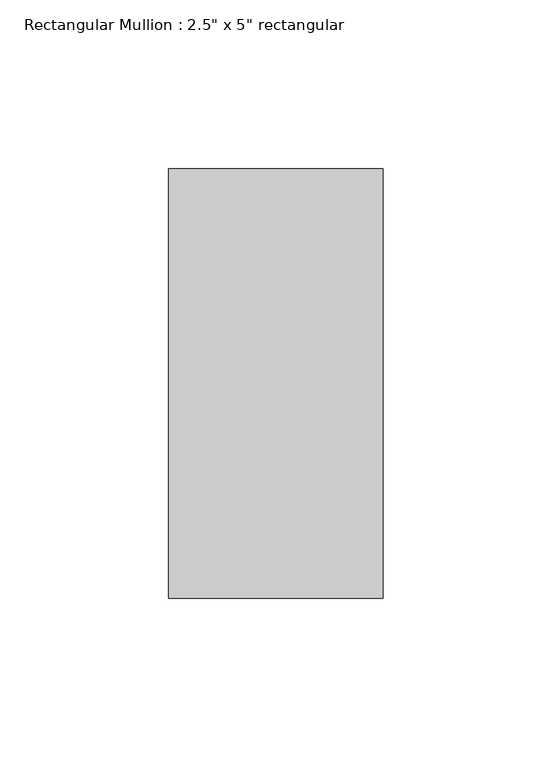
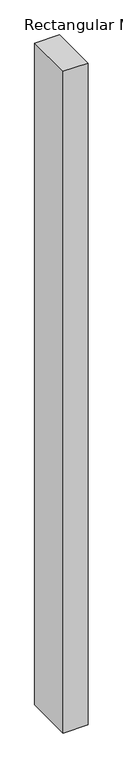
"""IFC4 building model written with IfcOpenShell, lengths in millimetres: member geometry."""

from ifc_helpers import new_model, si_unit, frame, origin, place, context, project, spatial, polyline, outline, extrude, source, transform, mapped, element, save


def member_9ae56b13(model_context):
    return source(origin(), model_context, "Body", "SweptSolid", [
        extrude(outline(polyline([(0.0, 63.5), (0.0, -63.5), (-63.5, -63.5), (-63.5, 63.5), (0.0, 63.5)])), frame((0.0, 0.0, -1797.05), z_axis=(0.0, 0.0, 1.0), x_axis=(1.0, 0.0, 0.0)), (0.0, 0.0, 1.0), 1797.05),
    ])


if __name__ == "__main__":
    model = new_model("IFC4")
    model_context = context("Model", 3, world=origin())
    ifc_project = project(units=[si_unit("LENGTHUNIT", "METRE", prefix="MILLI")], contexts=[model_context])
    site = spatial("IfcSite", under=ifc_project)
    building = spatial("IfcBuilding", under=site)
    placement = place(None, origin())
    member_shape = member_9ae56b13(model_context)
    element("IfcMember", 1, ObjectType="Rectangular Mullion : 2.5\" x 5\" rectangular", at=placement, inside=building, context=model_context, shape_type="MappedRepresentation", body=[
        mapped(member_shape, transform((0.0, 0.0, 0.0), x_axis=(1.0, 0.0, 0.0), y_axis=(0.0, 1.0, 0.0), z_axis=(0.0, 0.0, 1.0))),
    ])
    save(model, "model.ifc")
